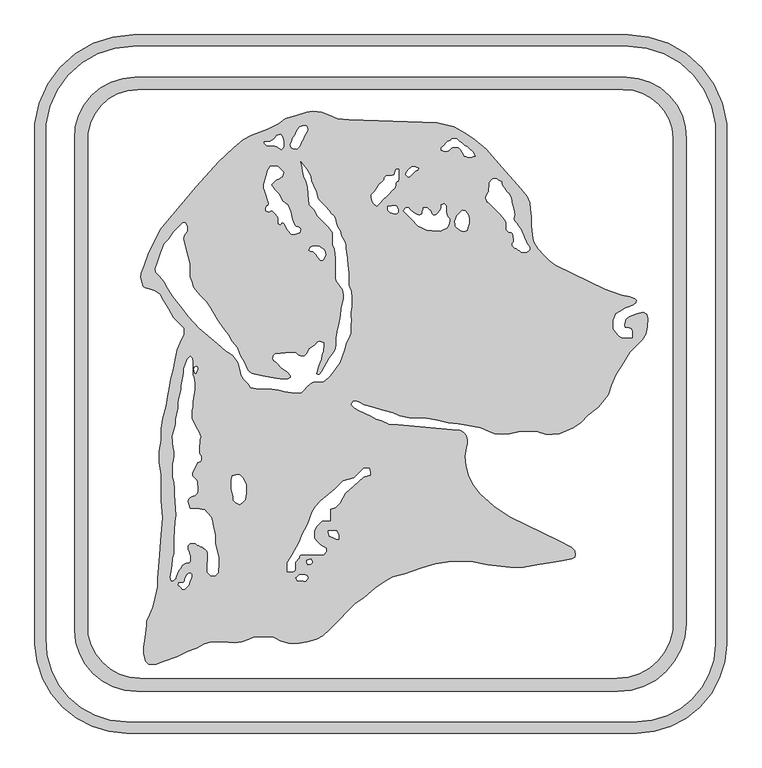
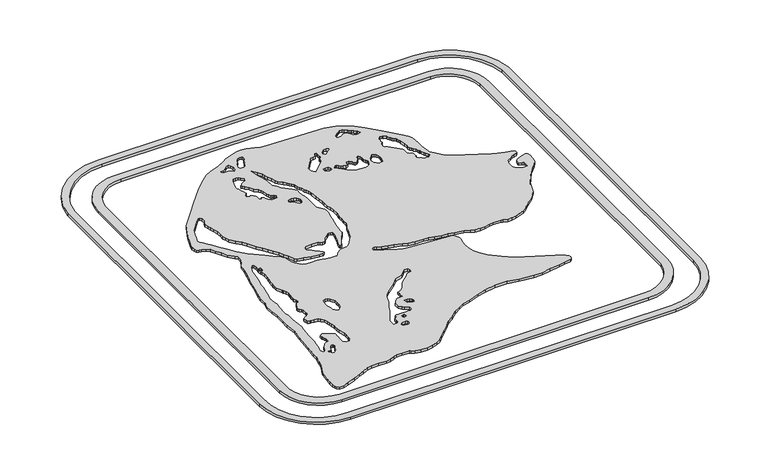
"""IFC4 building model written with IfcOpenShell, lengths in millimetres: proxy geometry."""

from ifc_helpers import new_model, si_unit, point, frame_2d, origin, origin_with_axes, place, context, project, spatial, polyline, circle_curve, trimmed, segment, composite_curve, outline, extrude, source, transform, mapped, element, save


def generic_models_7727bb75(model_context):
    return source(origin(), model_context, "Body", "SweptSolid", [
        extrude(outline(composite_curve([segment(polyline([(-387.0221852, -516.2870504), (-388.6656862, -510.1534214), (-390.5963422, -502.9481152), (-390.5963422, -492.1809), (-388.570592, -475.6824886), (-386.1047062, -455.5994604), (-386.1047062, -449.2494604), (-380.7374542, -437.7393515), (-375.3702023, -426.2292426), (-371.50385, -409.4822309), (-367.2185324, -390.9204812), (-367.2185324, -377.0286593), (-364.6888746, -348.0025917), (-361.5881994, -303.6608696), (-359.1064808, -275.1848718), (-361.5881994, -246.818699), (-361.5881994, -227.768699), (-361.5881994, -202.368699), (-364.8961972, -182.7157831), (-364.8961972, -163.6657831), (-361.5881994, -144.9051954), (-361.5881994, -125.8551954), (-358.6920211, -109.4301525), (-352.9220935, -87.8964894), (-350.0548506, -71.6355467), (-347.8495187, -59.1284882), (-345.0491372, -43.2467355), (-340.8501158, -27.5757741), (-337.7543521, -10.0188261), (-334.8223413, 6.6094334), (-329.4550894, 18.1195423), (-322.6260411, 32.7644838), (-322.6260411, 42.6436383), (-328.2700569, 48.2876542), (-340.5945097, 60.6121069), (-349.0098248, 75.1878603), (-356.7990748, 88.679237), (-363.3654642, 100.0525571), (-371.1420526, 105.4977829), (-381.5495306, 109.2857951), (-387.8030598, 110.388461), (-391.8910832, 113.2509259), (-393.5345842, 119.3845549), (-395.8237588, 127.9278708), (-394.5141352, 135.3551153), (-390.1704794, 147.2892116), (-381.9983233, 169.7420258), (-363.3599002, 207.9564563), (-351.1147963, 222.5496029), (-328.6289441, 249.347198), (-303.0444505, 279.8376102), (-264.8036363, 322.3083369), (-239.784168, 345.6393686), (-223.8861899, 358.9793562), (-209.4935982, 366.312748), (-183.004596, 376.4809232), (-164.1657871, 386.0797758), (-153.0579989, 393.8575328), (-133.3679753, 400.2552093), (-117.1409629, 404.7640051), (-107.5709536, 406.451456), (-92.3904601, 405.1233349), (-73.4454568, 397.8510295), (-65.9527987, 394.3571456), (-46.9752897, 392.6968287), (101.2689628, 387.5200254), (129.0439627, 381.1076614), (148.8485778, 369.6734615), (164.6417436, 359.0208367), (184.0992724, 342.6940314), (210.0611888, 312.8282631), (241.6110499, 276.5342996), (252.4928105, 263.0964444), (256.9311042, 253.5784928), (258.0982864, 242.4734962), (259.4257978, 229.8430682), (259.4257978, 214.5035394), (261.6809886, 193.0468328), (263.3244895, 186.9132038), (270.6089103, 176.5099729), (280.3436717, 164.908536), (289.3239278, 155.9282799), (299.7271587, 148.6438591), (382.6918937, 108.1792542), (394.62599, 103.8355984), (411.440709, 97.7155412), (424.3033779, 95.4475056), (432.8411556, 92.3400086), (435.2006463, 89.9805179), (434.3908653, 85.3880214), (430.8265137, 81.8236699), (423.3153218, 79.0898196), (417.3482737, 76.9179917), (409.6505392, 72.4737026), (400.2854716, 67.0667783), (398.4303112, 61.9697671), (396.2584833, 56.002719), (396.2584833, 50.829182), (396.2584833, 42.1897215), (400.0256305, 35.6648311), (405.1350926, 30.555369), (410.520198, 27.1903817), (414.2839187, 25.8204994), (419.2438797, 25.8204994), (425.5938797, 25.8204994), (429.3185399, 26.8185191), (429.3185399, 29.9897387), (429.3185399, 37.5629264), (428.1446585, 41.9439116), (424.2142475, 43.3744642), (417.1121039, 44.6267637), (415.9795587, 48.85348), (419.1440533, 57.5478574), (423.6341814, 62.0379854), (437.1731903, 66.9657817), (447.6252193, 69.7663944), (453.0103247, 66.4014071), (454.8757895, 59.4393978), (453.6457366, 45.3798288), (451.4404047, 32.8727703), (445.3343272, 23.1010036), (434.9146055, 12.6812819), (424.389588, 2.1562644), (414.294626, -13.9990518), (400.8346767, -35.5394734), (393.6984211, -53.2023259), (388.8213713, -69.154437), (371.6635727, -89.6023051), (354.3670776, -103.6087307), (342.3284598, -115.6473485), (330.2754536, -124.4043701), (305.9657367, -134.2261333), (294.9019415, -135.1940899), (283.5695635, -135.1940899), (272.8642, -131.9211318), (268.3877666, -130.2918433), (247.7542097, -130.2918433), (237.7211671, -131.1696208), (223.4232099, -134.2087454), (210.7715373, -135.3156234), (198.1198646, -134.2087454), (187.7072639, -129.7888586), (174.6002501, -124.2252614), (151.9699741, -120.2349331), (136.6735823, -117.5377666), (119.7933792, -116.0609402), (103.4260726, -111.6753336), (90.0031609, -109.3085121), (77.4961025, -107.1031802), (54.9364475, -107.1031802), (39.1359919, -104.3171336), (27.625883, -98.9498817), (8.2851408, -93.7675454), (-5.2445192, -90.1422839), (-20.7601464, -85.9848841), (-30.0799246, -80.6041077), (-36.2135536, -78.9606068), (-39.8215072, -79.927355), (-42.1131699, -82.2190177), (-43.1058604, -85.9237891), (-37.6631509, -91.3664986), (-30.264795, -95.6379414), (-21.0588951, -99.9307229), (-9.5487863, -105.2979749), (-1.3639049, -110.0235183), (7.3597124, -112.3610045), (18.8698213, -117.7282565), (19.7518288, -117.9645896), (35.3706342, -119.3310581), (135.8204689, -128.1192798)]), True, "CONTINUOUS"), segment(trimmed(circle_curve(frame_2d((134.2721061, -145.8171478)), 17.765471), [point((135.8204689, -128.1192798))], [point((151.9699741, -144.268785))], False, "CARTESIAN"), True, "CONTINUOUS"), segment(polyline([(151.9699741, -144.268785), (151.9699741, -151.424663), (150.3264732, -157.558292), (147.8470875, -171.619587), (149.2610704, -187.7814856), (153.3146589, -204.0395412), (160.4894751, -218.1209109), (172.972362, -234.6862612), (196.5672102, -255.931158), (222.25702, -273.2591535), (305.6754985, -313.945064), (326.3816289, -324.9547088), (332.2477148, -330.8207947), (333.3049919, -337.0821576), (332.366378, -341.4979888), (327.6641026, -344.2128488), (310.3886363, -347.129938), (295.0851738, -349.7140399), (268.3556496, -354.2275161), (246.1171956, -357.9826422), (224.0653531, -357.9826422), (186.1740689, -354.0001078), (158.1523894, -348.0439159), (126.4023894, -348.0439159), (98.6810762, -352.724863), (75.7225737, -358.8765752), (47.1147148, -369.2889843), (27.4311212, -374.5631873), (13.2583327, -381.7845837), (-2.3465137, -392.7112148), (-21.8040426, -409.0380201), (-35.9112623, -418.9160017), (-47.5201997, -430.5249391), (-64.7879174, -447.7926568), (-79.8889632, -462.8937026), (-90.1871346, -473.191874), (-101.2948049, -479.3489562), (-116.2629719, -483.3596645), (-130.876457, -485.6742131), (-147.4696018, -485.6742131), (-161.6010697, -481.8876977), (-169.2063943, -477.4967615), (-172.4905203, -475.9653484), (-191.4941155, -474.6364875), (-205.5981047, -474.6364875), (-214.5095022, -479.1770714), (-226.4435985, -483.5207272), (-237.8171398, -484.9299091), (-257.9693803, -483.5207272), (-277.0193803, -483.5207272), (-289.2866383, -486.8077291), (-303.0552126, -493.8231681), (-317.1611792, -498.9573201), (-335.3620154, -508.2311093), (-356.7826475, -516.0275818), (-369.8320572, -520.7771785), (-382.5320572, -520.7771785), (-387.0221852, -516.2870504)]), True, "CONTINUOUS")], self_intersect=False), holes=[polyline([(-179.6488264, 355.6513622), (-188.3812356, 355.6513622), (-188.3812356, 352.9892428), (-184.6463728, 349.2543801), (-173.4809419, 349.2543801), (-167.5138938, 347.0825521), (-160.4107015, 342.1088433), (-157.4150315, 345.1045133), (-155.5470292, 346.9725156), (-155.5470292, 355.6513622), (-157.6056505, 363.3342415), (-161.2478609, 368.5358569), (-167.3814899, 366.892356), (-171.0237003, 361.6907405), (-179.6488264, 355.6513622)]), polyline([(-143.0665081, 345.3534032), (-139.7181112, 344.1346864), (-134.1979606, 343.288021), (-129.5983622, 347.4537785), (-127.4993523, 351.0893705), (-126.1613584, 354.7654783), (-122.803197, 359.5614298), (-121.3241433, 365.0813335), (-117.0539783, 371.1797611), (-115.4627868, 375.5515238), (-116.5484038, 379.6031016), (-118.3314162, 382.1495072), (-123.6916371, 382.1495072), (-129.1571308, 380.6850326), (-132.2173739, 376.3145525), (-134.9626843, 372.3938429), (-136.8382893, 367.2406606), (-140.4804996, 362.0390452), (-142.373282, 356.8386684), (-144.5451099, 350.8716202), (-143.0665081, 345.3534032)]), polyline([(-4.4901281, 251.8198767), (0.0, 247.3297486), (2.620586, 249.9503346), (6.1688391, 253.4985877), (10.6589671, 257.9887157), (16.0844552, 263.4142038), (20.5745833, 267.9043319), (25.775359, 273.1051076), (30.265487, 277.5952356), (31.6944755, 282.9282934), (31.6944755, 286.5615021), (34.179344, 289.0463705), (36.0966302, 289.0463705), (37.1650284, 293.0336868), (37.1650284, 296.4474859), (37.1650284, 302.7974859), (37.1650284, 309.1474859), (33.2236349, 309.1474859), (31.0407512, 306.9646022), (29.1554044, 299.928392), (22.9018751, 298.8257261), (15.985231, 298.8257261), (12.6315469, 295.472042), (12.6315469, 292.0740169), (9.1851085, 288.6275786), (4.6949805, 284.1374505), (-3.52325, 272.4006009), (-9.0723197, 266.8515313), (-9.0723197, 262.7449421), (-7.7144754, 255.044224), (-4.4901281, 251.8198767)]), polyline([(48.7516625, 300.5094993), (53.247593, 296.0135688), (55.6127412, 297.1164555), (58.6329503, 300.1366646), (61.4561893, 302.9599036), (64.6904683, 306.1941826), (68.9256181, 308.1690654), (70.8756419, 310.953988), (65.1205875, 313.637614), (58.7705875, 313.637614), (54.2804594, 309.1474859), (49.889705, 304.7567315), (48.7516625, 300.5094993)]), polyline([(18.871427, 247.2076504), (18.871427, 240.7565563), (20.5485423, 239.079441), (22.9838576, 236.6441257), (29.1174866, 235.0006248), (33.411554, 235.0006248), (35.9690012, 237.5580719), (35.9690012, 242.565715), (33.2853752, 248.3207694), (25.1842383, 248.3207694), (18.871427, 247.2076504)]), polyline([(49.2458802, 244.5228839), (44.3244049, 239.6014086), (50.3157449, 233.6100687), (56.175311, 227.7505026), (61.055019, 222.8707946), (65.545147, 218.3806665), (70.0352751, 213.8905384), (77.1375241, 210.5787053), (84.0529324, 207.3539975), (93.6726087, 206.5123849), (106.3242813, 205.4055069), (111.8109754, 207.9639944), (117.5660298, 210.6476203), (121.1173608, 215.7194466), (123.025541, 222.8408718), (123.025541, 226.2356208), (120.0594173, 229.2017445), (117.9378183, 233.7515283), (117.1824134, 238.0356425), (117.1824134, 241.9707694), (117.1824134, 248.3207694), (113.8558728, 251.64731), (112.5498839, 251.64731), (108.7236118, 249.86309), (108.7236118, 245.2252504), (106.0495716, 239.4907528), (101.5594436, 235.0006248), (99.5552691, 232.9964503), (95.2815906, 232.2428855), (92.5238513, 235.0006248), (90.4036738, 239.5473599), (87.2082925, 242.7427412), (84.7257833, 245.2252504), (78.3757833, 245.2252504), (78.3757833, 242.30421), (76.8509522, 239.0341992), (76.8509522, 235.0006248), (71.0958978, 232.3169988), (65.3408433, 235.0006248), (61.0770881, 236.9888465), (56.5869601, 241.4789745), (53.5430507, 244.5228839), (49.2458802, 244.5228839)]), polyline([(118.5411052, 339.6818052), (120.9739017, 340.8162368), (125.2297797, 345.0721148), (128.9752794, 346.81867), (132.4485199, 346.81867), (136.6390283, 346.81867), (138.5493106, 344.9083877), (141.4636112, 341.9940871), (143.3192441, 338.0146695), (144.1990609, 337.1348527), (146.8624682, 331.4231574), (149.9107562, 331.4231574), (151.898667, 329.4352466), (154.6772594, 329.4352466), (159.2709344, 329.4352466), (163.5340228, 331.4231574), (165.5138804, 331.4231574), (162.259759, 338.4016433), (160.6384282, 340.0229741), (155.4368127, 343.6651845), (152.1327902, 346.9692069), (151.2558309, 347.8461663), (147.1992626, 349.7377751), (144.0343037, 352.902734), (137.9517305, 357.1617977), (134.6913719, 360.4221563), (128.3413719, 360.4221563), (126.1162191, 360.4221563), (124.1720169, 358.4779541), (119.7177557, 356.400898), (116.0615685, 352.7447107), (113.2137398, 349.8968821), (108.7236118, 345.406754), (108.7236118, 341.298724), (112.1911052, 339.6818052), (118.5411052, 339.6818052)]), polyline([(183.0835723, 260.4776497), (185.8632454, 254.5166215), (186.5000261, 255.1534022), (196.5422216, 245.1112067), (206.7334832, 234.9199451), (215.9670138, 223.9158518), (217.1807443, 219.386148), (217.1807443, 211.8457371), (217.1807443, 208.2147447), (219.370396, 206.0250931), (221.8586978, 203.5367912), (225.4896902, 203.5367912), (228.0389525, 200.9875289), (229.6675605, 191.751234), (229.6675605, 187.8686433), (227.1842496, 185.3853324), (227.1842496, 181.2408543), (231.6743776, 176.7507262), (234.4931039, 176.7507262), (237.7307176, 173.5131125), (240.2148302, 172.3547518), (242.7342288, 169.8353533), (245.8986971, 169.8353533), (252.2486971, 169.8353533), (255.1356178, 172.722274), (257.2514065, 174.8380627), (257.2514065, 178.3054261), (252.7660826, 184.7111325), (251.281721, 187.8943563), (247.7161379, 195.5407738), (247.0792789, 199.152581), (245.1168106, 201.1150492), (243.0836844, 205.4751024), (241.8634547, 210.0290619), (237.3733266, 214.51919), (235.5499653, 218.4294009), (232.3122745, 221.6670917), (229.9927942, 226.6412332), (231.6362952, 232.7748622), (230.0092479, 242.0023059), (226.722246, 254.2695639), (226.722246, 256.5135973), (225.9019887, 261.1655076), (224.1229346, 264.9807016), (222.6791475, 268.076913), (219.5079278, 271.2481326), (216.5526052, 274.2034552), (214.878534, 277.7935126), (211.7430784, 280.9289682), (209.8304008, 285.0307185), (209.8304008, 288.6834316), (202.9861709, 291.8749484), (201.2258983, 293.635221), (194.8758983, 293.635221), (192.0882312, 290.8475538), (189.3320385, 286.9113027), (189.3320385, 280.5613027), (188.4375841, 277.2231536), (188.4375841, 272.1366004), (186.1000653, 269.7990815), (184.4460801, 266.2520989), (183.0835723, 263.3301914), (183.0835723, 260.4776497)]), polyline([(143.3354276, 240.7160734), (139.4061616, 236.7868075), (134.1084548, 231.4891007), (132.8677856, 226.8588602), (130.6703954, 222.1465416), (132.3138963, 216.0129126), (132.3138963, 213.5943723), (134.2550515, 211.6532171), (137.4932046, 208.415064), (141.3318246, 206.6250861), (143.7756504, 205.4855114), (145.4579985, 205.4855114), (148.6619294, 205.4855114), (151.9813749, 207.0333942), (152.8933593, 210.4369665), (153.8624366, 214.0536121), (155.1808113, 218.9738536), (155.1808113, 223.3129064), (155.1808113, 226.1302825), (154.2742707, 231.2715298), (152.1430122, 235.8420284), (148.3915708, 239.5934698), (144.2019569, 240.7160734), (143.3354276, 240.7160734)]), polyline([(-143.4246436, -366.0057369), (-139.6450489, -366.0057369), (-136.850678, -363.2113659), (-136.850678, -360.0676986), (-136.850678, -356.2254386), (-136.850678, -349.8754386), (-134.262288, -347.2870485), (-131.9918616, -345.0166222), (-129.8960834, -342.920844), (-129.8960834, -339.8085094), (-127.0860461, -336.9984721), (-120.7360461, -336.9984721), (-114.3860461, -336.9984721), (-101.6860461, -336.9984721), (-95.3360461, -336.9984721), (-88.9860461, -336.9984721), (-84.495918, -332.508344), (-84.495918, -326.158344), (-94.1968312, -320.5575192), (-98.6869593, -316.0673911), (-105.0250186, -309.7293318), (-105.0250186, -297.0293318), (-100.5797636, -289.3299242), (-91.5995074, -280.3496681), (-84.495918, -280.3496681), (-78.145918, -280.3496681), (-78.145918, -273.9996681), (-78.145918, -266.8960787), (-78.145918, -260.5460787), (-69.4716567, -258.2218173), (-62.0445153, -250.794676), (-52.5195153, -234.296892), (-46.3196071, -228.0969838), (-31.7264605, -215.8518798), (-22.7462044, -206.8716237), (-10.4789464, -203.5846218), (-10.4789464, -198.0230986), (-12.1224473, -191.8894696), (-21.2335806, -191.8894696), (-24.1112898, -194.7671788), (-26.9056607, -197.5615497), (-37.3272807, -207.9831697), (-55.7281676, -212.9136725), (-69.1985518, -226.3840567), (-93.5204629, -246.7925633), (-102.500719, -255.7728194), (-107.8465289, -265.0320338), (-115.4399438, -286.0958328), (-125.0515136, -302.74356), (-129.8960834, -316.1821837), (-141.9143731, -336.9984721), (-149.7746436, -350.61286), (-149.7746436, -366.0057369), (-143.4246436, -366.0057369)]), polyline([(-133.1803049, -381.1927309), (-122.3400603, -382.1411294), (-119.0955005, -381.7089129), (-116.1550072, -378.7684197), (-115.0682212, -375.753723), (-116.6195157, -372.4269611), (-119.9764184, -370.4888524), (-129.8960834, -370.4888524), (-134.1765389, -374.7693079), (-135.5398663, -376.1326353), (-133.1803049, -381.1927309)]), polyline([(-72.4815098, -308.3622681), (-67.5865537, -311.1883724), (-63.1759464, -311.1883724), (-63.1759464, -304.9445595), (-64.3793274, -302.3639005), (-67.0629534, -296.6088461), (-73.4129534, -296.6088461), (-81.1225106, -296.6088461), (-81.1225106, -299.7060686), (-79.4790097, -305.8396976), (-72.4815098, -308.3622681)]), polyline([(-117.2035381, -350.5939187), (-115.4396377, -354.3766153), (-110.3373485, -353.009461), (-108.291007, -350.9631196), (-108.291007, -348.8837761), (-109.4298743, -344.6334654), (-112.5016126, -344.6334654), (-117.2035381, -346.8260093), (-117.2035381, -350.5939187)]), polyline([(-328.9975936, -392.0029402), (-326.155735, -394.8447988), (-323.7122276, -394.8447988), (-321.9839026, -394.8447988), (-318.5579371, -391.4188332), (-315.3199343, -388.1808305), (-313.9234994, -382.9692643), (-310.6878564, -377.3649662), (-309.7949772, -374.0326956), (-309.7949772, -369.7801145), (-311.4803804, -368.0947113), (-315.6062392, -368.0947113), (-318.2525488, -370.7410208), (-321.9839026, -377.2039152), (-321.9839026, -380.779784), (-324.1652589, -384.558004), (-326.2794054, -384.558004), (-328.8465832, -384.558004), (-331.8853055, -384.558004), (-332.8483603, -388.1521735), (-328.9975936, -392.0029402)]), polyline([(-341.1568918, -381.1583871), (-339.4498171, -379.4513124), (-337.348802, -377.3502973), (-336.0461893, -372.4888807), (-334.6361487, -370.0466186), (-333.7119982, -366.5976419), (-331.1953579, -362.2386931), (-329.3531051, -360.3964402), (-326.1781051, -354.8971789), (-320.6788438, -351.7221789), (-314.4253145, -350.619513), (-312.3988515, -348.59305), (-312.3988515, -343.4421867), (-312.3988515, -338.4815184), (-314.4054406, -335.0060042), (-315.2418552, -330.2624608), (-316.8941323, -328.6101838), (-316.8941323, -322.2601838), (-313.6967299, -319.0627814), (-307.4432007, -317.9601155), (-304.8524816, -317.9601155), (-302.4432788, -319.3510694), (-300.7449346, -321.0494136), (-298.4249533, -321.6710507), (-296.3268908, -323.7691132), (-291.8291138, -324.9742889), (-290.520255, -326.2831477), (-287.8330886, -327.8345839), (-285.6664168, -330.0012557), (-284.1930526, -331.4746199), (-283.4125572, -335.9010292), (-283.4125572, -341.3704141), (-283.4125572, -347.7204141), (-284.1911637, -350.6262131), (-284.1911637, -355.8148928), (-284.1911637, -358.7037885), (-284.1911637, -362.3805649), (-284.1911637, -366.3199682), (-281.2901151, -369.2210168), (-278.2699059, -372.241226), (-273.2630901, -372.241226), (-270.6415734, -372.241226), (-267.8122579, -369.4119105), (-265.7112428, -367.3108954), (-265.7112428, -362.5118783), (-264.747594, -357.0467542), (-264.747594, -349.1179072), (-264.747594, -341.8599905), (-269.3629473, -325.7643407), (-270.7390428, -317.9601155), (-270.7390428, -310.4986239), (-270.7390428, -304.1486239), (-272.1409172, -296.1981988), (-273.8912144, -290.0941871), (-274.9938804, -283.8406578), (-277.7159213, -274.347773), (-284.1911637, -266.6308796), (-288.6812917, -262.1407515), (-298.0300688, -260.4923099), (-305.2811602, -260.4923099), (-307.6719641, -260.4923099), (-313.8055931, -258.848809), (-315.2554516, -253.7925513), (-316.8941323, -248.0777928), (-315.9400473, -244.5170994), (-313.9906344, -242.5676865), (-311.1224956, -239.6995477), (-305.0184838, -237.9492505), (-302.8286548, -235.7594215), (-301.243045, -234.1738116), (-300.0487555, -229.7166625), (-300.0487555, -226.234788), (-301.0133184, -215.2097835), (-301.9690442, -211.8767717), (-306.4591722, -207.3866436), (-309.0427856, -204.8030303), (-309.0427856, -200.7140205), (-306.6446135, -195.5711238), (-303.349675, -188.5051055), (-300.666049, -182.750051), (-295.5544106, -181.2843123), (-294.3155431, -178.6275523), (-294.3155431, -174.4382007), (-294.3155431, -172.1730438), (-297.4905431, -166.6737825), (-297.4905431, -162.0553431), (-297.4905431, -155.7053431), (-296.3878771, -149.4518139), (-296.3878771, -144.6891404), (-295.4812721, -139.547528), (-297.4905431, -132.5403676), (-300.6655431, -127.0411063), (-302.1402072, -125.5664422), (-302.755196, -123.4217212), (-309.8624342, -108.1801997), (-309.8624342, -101.8301997), (-309.8624342, -95.4801997), (-308.7597683, -89.2266705), (-308.7597683, -79.6036327), (-307.13347, -70.3804369), (-305.357706, -60.3095791), (-305.357706, -48.4954783), (-306.9329096, -39.5620548), (-308.7597683, -35.6443438), (-308.7597683, -27.8070454), (-308.7597683, -22.9747108), (-308.2408586, -20.0318278), (-308.2408586, -13.6818278), (-309.3435245, -7.4282986), (-312.4378488, -4.3339744), (-317.7896648, -9.6857904), (-319.9614927, -15.6528386), (-323.4686572, -25.2886937), (-323.4686572, -30.5252337), (-324.5713231, -36.7787629), (-326.0999114, -45.4478182), (-327.6219858, -54.0799309), (-327.6219858, -60.4299309), (-330.8964796, -72.6505083), (-332.4586158, -81.5098226), (-332.4586158, -91.6844694), (-335.3298488, -102.400057), (-337.4069689, -110.1519747), (-337.4069689, -118.564331), (-340.4544985, -129.9378663), (-342.7756553, -138.6005415), (-341.1153384, -157.5780505), (-339.3650412, -163.6820623), (-339.3650412, -172.0220334), (-340.4677071, -178.2755626), (-341.7793792, -185.7144245), (-341.7793792, -193.314508), (-341.7793792, -207.3584807), (-339.3650412, -215.7782778), (-338.3791347, -227.0472407), (-338.3791347, -236.2014783), (-335.9186913, -271.3874585), (-337.8358422, -282.2601618), (-339.8161795, -310.580305), (-339.8161795, -335.980305), (-341.7332367, -343.1348599), (-342.619144, -355.8039233), (-344.1814675, -364.6643004), (-346.0034211, -374.9971127), (-344.2367041, -381.1583871), (-341.1568918, -381.1583871)]), polyline([(-300.9115206, -22.0006619), (-303.061099, -21.2182793), (-305.7584378, -22.4760691), (-307.047581, -26.0179609), (-306.4095176, -29.6365981), (-304.8305341, -33.0227392), (-302.9938392, -33.0227392), (-302.3118912, -32.3407912), (-301.4297302, -29.9170738), (-300.4716443, -26.3414485), (-300.4716443, -24.4953246), (-300.9115206, -22.0006619)]), polyline([(-235.9627456, -250.4308683), (-229.2810515, -253.5465935), (-224.9326054, -249.1981473), (-220.4424773, -244.7080193), (-218.6887239, -234.7619892), (-218.6887239, -228.4119892), (-218.6887239, -218.7420727), (-225.0387239, -207.74355), (-229.5288519, -203.253422), (-235.8788519, -203.253422), (-241.9828637, -205.0037192), (-244.0143756, -212.585425), (-244.0143756, -220.4566039), (-244.0143756, -227.3218092), (-240.5137812, -239.5298327), (-240.5137812, -245.8798327), (-235.9627456, -250.4308683)]), polyline([(-370.1796568, 136.5632769), (-364.6362942, 131.0199143), (-355.9938968, 120.3474423), (-350.0875936, 110.1174251), (-342.1438415, 96.3584429), (-328.4091148, 79.3974679), (-315.1906723, 61.8560022), (-297.7393435, 42.4743381), (-266.7127187, 16.4399087), (-252.1195721, 4.1948047), (-241.2335474, -2.3461788), (-235.4422317, -10.0315143), (-232.5885448, -14.9742451), (-230.0441277, -24.4701388), (-227.0257313, -35.7349476), (-222.7724396, -43.1018649), (-215.5771296, -50.2971749), (-210.9840769, -56.856734), (-201.9476107, -58.7774941), (-189.2476107, -58.7774941), (-174.9745544, -59.7755635), (-163.198727, -61.4305481), (-153.8648978, -63.4145147), (-142.5840822, -65.8123261), (-134.640736, -65.8123261), (-126.539355, -65.8123261), (-122.049227, -61.322198), (-117.516236, -55.3067159), (-108.6459633, -48.6224859), (-103.463102, -46.7360787), (-89.6918016, -46.7360787), (-85.9107452, -44.5530848), (-81.4206172, -40.0629567), (-77.930686, -36.5730255), (-68.9340172, -24.6340429), (-61.5253612, -14.8024243), (-58.3278278, -6.0172735), (-54.6147072, 6.1277969), (-50.9015865, 18.2728673), (-45.6412317, 27.3840692), (-43.4945302, 34.4056132), (-43.4945302, 42.3489594), (-43.4945302, 46.9917457), (-42.3788736, 56.0780402), (-43.3143276, 63.6967024), (-43.3143276, 69.079861), (-41.5147947, 79.2855194), (-41.5147947, 94.5996414), (-42.7580102, 104.7248186), (-46.5485434, 115.1392231), (-46.5485434, 127.8392231), (-46.5485434, 135.5962347), (-48.0962841, 148.2015708), (-49.5482622, 160.0269833), (-51.6525599, 177.1651133), (-51.6525599, 182.623571), (-53.5222555, 187.7605174), (-56.9393273, 193.8897743), (-59.7595559, 197.9174782), (-61.4443507, 206.584996), (-64.0066007, 210.2442683), (-67.0550184, 216.7816211), (-68.2666555, 223.0149537), (-69.3463451, 227.0444099), (-72.3685434, 231.3605564), (-76.8586715, 235.8506845), (-79.6278541, 239.8054871), (-86.1540403, 247.583093), (-94.9604901, 255.7952403), (-98.6027005, 260.9968558), (-101.6174974, 272.2482311), (-106.7255315, 282.721253), (-109.6729906, 290.3996464), (-110.552892, 297.5658679), (-117.3801109, 309.390958), (-126.9424793, 322.0806495), (-125.692861, 317.4170106), (-124.3448127, 306.4380381), (-122.1178856, 298.1270329), (-118.2975751, 288.174784), (-115.8693934, 279.1126863), (-114.460434, 267.6376326), (-113.208633, 249.7360454), (-109.2177365, 245.7451489), (-104.7276085, 241.2550208), (-99.9876927, 231.0902385), (-80.9770888, 213.3625636), (-73.334038, 203.2198926), (-73.334038, 193.1180284), (-73.334038, 182.5947337), (-70.5334931, 174.9002997), (-68.7524534, 160.3948956), (-68.7524534, 141.9179816), (-68.7524534, 126.5410843), (-67.7610647, 122.8411713), (-57.1084399, 107.0480055), (-55.045139, 99.3476616), (-55.045139, 92.9976616), (-59.146375, 76.5485025), (-60.6026393, 64.6881809), (-62.9251897, 51.5163435), (-65.6101728, 40.7474642), (-67.3512366, 26.5676377), (-67.9076062, 15.9514728), (-68.8819906, 8.0157486), (-72.3404485, 2.6901904), (-79.2573643, -7.9609258), (-91.9573643, -29.957971), (-95.1304153, -34.168752), (-97.802857, -35.1414412), (-99.7606987, -34.7252891), (-101.1231778, -33.36281), (-100.0262625, -28.2022288), (-97.8544345, -22.2351807), (-95.2621131, -15.112836), (-93.0902852, -9.1457879), (-91.7700459, -2.9345506), (-89.5149909, 4.4414021), (-88.363107, 13.8227435), (-88.7373253, 18.1000781), (-92.5381922, 20.2945096), (-96.6365498, 21.0171607), (-99.9235828, 19.484392), (-104.0052841, 14.6200098), (-112.7466874, 8.4992133), (-117.6537105, 0.0), (-121.6193569, -3.9656464), (-126.7251211, -3.9656464), (-132.6921693, -1.7938185), (-136.0067428, 1.5207549), (-152.5342436, 1.5207549), (-169.9165521, 0.0), (-173.5263479, -3.6097958), (-174.4706199, -8.0522462), (-173.0084273, -11.5219513), (-167.9370919, -15.3434767), (-159.9499489, -23.3306196), (-149.199027, -31.4320204), (-144.0074293, -36.6236181), (-144.0074293, -39.6627064), (-148.087964, -42.0186043), (-157.133944, -42.810025), (-178.5050183, -39.8065163), (-195.7215922, -36.1470206), (-210.4725629, -33.011605), (-216.5759084, -27.89029), (-222.4118224, -14.0419766), (-228.7618224, -3.043454), (-234.1709711, 9.7921679), (-242.7306015, 21.1511811), (-249.0806015, 32.1497038), (-257.9320663, 43.8959942), (-267.5530255, 56.6634383), (-279.4218236, 77.2207997), (-285.8920337, 86.8132806), (-296.404061, 98.4880697), (-308.07883, 111.4542143), (-310.5657055, 120.7353599), (-313.5539538, 128.9455047), (-313.5539538, 138.5273501), (-313.5539538, 151.2273501), (-316.8409557, 163.4946081), (-319.3481013, 172.8514029), (-321.3890307, 180.4682551), (-324.6760326, 192.7355131), (-322.5042046, 198.7025612), (-317.8399337, 205.3638305), (-317.8399337, 214.2138776), (-321.482144, 219.4154931), (-325.2166209, 219.4154931), (-331.1099242, 213.5221898), (-340.0901803, 204.5419336), (-348.8125772, 192.0850599), (-356.7285, 184.1691371), (-362.0273827, 169.6105764), (-367.4795019, 154.6310021), (-371.8231577, 142.6969059), (-370.1796568, 136.5632769)]), polyline([(-178.1362197, 314.6636321), (-182.8551427, 307.6067452), (-186.7479801, 293.0784786), (-189.1214363, 284.2206194), (-189.1214363, 277.8706194), (-187.3340893, 273.2144213), (-185.3316814, 265.7413331), (-183.1598534, 259.7742849), (-181.5293039, 255.2943869), (-180.8187145, 251.6387213), (-182.9042345, 248.6602901), (-184.7691708, 247.9444081), (-186.0310372, 244.4774586), (-186.0310372, 242.1937466), (-186.0310372, 239.9302863), (-182.3494425, 238.5902954), (-179.5024376, 238.5902954), (-176.7550491, 239.9302863), (-175.195644, 239.9302863), (-170.7055159, 235.4401583), (-167.0633056, 230.2385428), (-165.426341, 227.4032371), (-165.426341, 222.979141), (-165.426341, 218.1417942), (-161.5237082, 216.721352), (-160.3461301, 217.8989301), (-160.3461301, 219.4492961), (-156.2740589, 219.4492961), (-154.4076396, 217.5828768), (-152.3335948, 213.3304547), (-149.3243862, 206.8771862), (-143.1261741, 200.678974), (-136.7761741, 200.678974), (-129.2564955, 202.6938658), (-126.9443487, 209.046437), (-129.1261949, 211.2282833), (-131.2283664, 213.3304547), (-135.0333732, 213.3304547), (-137.105156, 215.4022375), (-139.8888128, 221.1095797), (-141.6283397, 225.6412022), (-144.0516139, 238.1078674), (-146.2234419, 244.0749156), (-149.0070986, 249.7822578), (-158.2272928, 256.2383072), (-163.5945447, 267.7484161), (-171.2160161, 275.3698875), (-174.1893441, 280.5198426), (-177.1090061, 283.4395046), (-172.618878, 287.9296326), (-169.4167311, 291.1317795), (-163.7093889, 293.9154363), (-158.2101276, 297.0904363), (-155.5470292, 304.407239), (-161.3132943, 310.173504), (-165.8034223, 314.6636321), (-171.7862197, 314.6636321), (-178.1362197, 314.6636321)]), polyline([(-99.0033853, 161.4849485), (-94.3947802, 156.8763433), (-90.7180781, 156.8763433), (-88.8982904, 158.6961311), (-87.0486455, 161.8998101), (-85.5838928, 165.9241848), (-86.3576691, 169.9049185), (-87.8617155, 174.0372519), (-90.9664763, 177.1420128), (-96.4657376, 180.3170128), (-102.7192668, 181.4196787), (-108.3343753, 180.7302301), (-111.7756824, 178.8116951), (-113.5558687, 173.9206735), (-111.4219326, 171.7867374), (-106.5079412, 170.9202681), (-104.1671363, 168.5794633), (-101.4359472, 165.8482742), (-99.0033853, 161.4849485)])]), origin_with_axes(), (0.0, 0.0, 1.0), 6.35),
        extrude(outline(composite_curve([segment(trimmed(circle_curve(frame_2d((422.0894468, 368.8170488)), 166.0737066), [point((422.0894468, 534.8907554))], [point((587.2533843, 386.1764782))], False, "CARTESIAN"), True, "CONTINUOUS"), segment(polyline([(587.2533843, 386.1764782), (587.2533843, -487.7764782)]), True, "CONTINUOUS"), segment(trimmed(circle_curve(frame_2d((436.4343628, -485.6568398)), 150.8339156), [point((587.2533843, -487.7764782))], [point((436.4343628, -636.4907554))], False, "CARTESIAN"), True, "CONTINUOUS"), segment(polyline([(436.4343628, -636.4907554), (-419.7123691, -636.4907554)]), True, "CONTINUOUS"), segment(trimmed(circle_curve(frame_2d((-419.7123691, -482.7850674)), 153.705688), [point((-419.7123691, -636.4907554))], [point((-573.3369907, -487.7764782))], False, "CARTESIAN"), True, "CONTINUOUS"), segment(polyline([(-573.3369907, -487.7764782), (-573.3369907, 386.1764782)]), True, "CONTINUOUS"), segment(trimmed(circle_curve(frame_2d((-408.1730532, 368.8170488)), 166.0737066), [point((-573.3369907, 386.1764782))], [point((-408.1730532, 534.8907554))], False, "CARTESIAN"), True, "CONTINUOUS"), segment(polyline([(-408.1730532, 534.8907554), (422.0894468, 534.8907554)]), True, "CONTINUOUS")], self_intersect=False), holes=[composite_curve([segment(polyline([(-554.2869907, 385.1476209), (-554.2869907, -478.1132852)]), True, "CONTINUOUS"), segment(trimmed(circle_curve(frame_2d((-419.7123691, -482.7850674)), 134.655688), [point((-554.2869907, -478.1132852))], [point((-419.7123691, -617.4407554))], True, "CARTESIAN"), True, "CONTINUOUS"), segment(polyline([(-419.7123691, -617.4407554), (436.4343628, -617.4407554)]), True, "CONTINUOUS"), segment(trimmed(circle_curve(frame_2d((436.4343628, -485.6568398)), 131.7839156), [point((436.4343628, -617.4407554))], [point((568.2033843, -487.6381019))], True, "CARTESIAN"), True, "CONTINUOUS"), segment(polyline([(568.2033843, -487.6381019), (568.2033843, 385.1476209)]), True, "CONTINUOUS"), segment(trimmed(circle_curve(frame_2d((422.0894468, 368.8170488)), 147.0237066), [point((568.2033843, 385.1476209))], [point((422.0894468, 515.8407554))], True, "CARTESIAN"), True, "CONTINUOUS"), segment(polyline([(422.0894468, 515.8407554), (-408.1730532, 515.8407554)]), True, "CONTINUOUS"), segment(trimmed(circle_curve(frame_2d((-408.1730532, 368.8170488)), 147.0237066), [point((-408.1730532, 515.8407554))], [point((-554.2869907, 385.1476209))], True, "CARTESIAN"), True, "CONTINUOUS")], self_intersect=False)]), origin_with_axes(), (0.0, 0.0, 1.0), 6.35),
        extrude(outline(composite_curve([segment(trimmed(circle_curve(frame_2d((418.8406023, 362.6686893)), 100.7879009), [point((418.8406023, 463.4565902))], [point((519.6086166, 360.6666205))], False, "CARTESIAN"), True, "CONTINUOUS"), segment(polyline([(519.6086166, 360.6666205), (519.6086166, -453.2475301)]), True, "CONTINUOUS"), segment(trimmed(circle_curve(frame_2d((404.8129472, -451.7391804)), 114.8055784), [point((519.6086166, -453.2475301))], [point((404.8129472, -566.5447588))], False, "CARTESIAN"), True, "CONTINUOUS"), segment(polyline([(404.8129472, -566.5447588), (-402.0602539, -566.5447588)]), True, "CONTINUOUS"), segment(trimmed(circle_curve(frame_2d((-402.0602539, -461.6742728)), 104.870486), [point((-402.0602539, -566.5447588))], [point((-506.9093521, -463.7921584))], False, "CARTESIAN"), True, "CONTINUOUS"), segment(polyline([(-506.9093521, -463.7921584), (-506.9093521, 360.7039898)]), True, "CONTINUOUS"), segment(trimmed(circle_curve(frame_2d((-406.1406023, 362.6686893)), 100.7879009), [point((-506.9093521, 360.7039898))], [point((-406.1406023, 463.4565902))], False, "CARTESIAN"), True, "CONTINUOUS"), segment(polyline([(-406.1406023, 463.4565902), (418.8406023, 463.4565902)]), True, "CONTINUOUS")], self_intersect=False), holes=[composite_curve([segment(polyline([(-483.5504235, 370.0098313), (-483.5504235, -471.5104999)]), True, "CONTINUOUS"), segment(trimmed(circle_curve(frame_2d((-396.5330466, -456.4647969)), 88.3085334), [point((-483.5504235, -471.5104999))], [point((-396.5330466, -544.7733302))], True, "CARTESIAN"), True, "CONTINUOUS"), segment(polyline([(-396.5330466, -544.7733302), (402.8483133, -544.7733302)]), True, "CONTINUOUS"), segment(trimmed(circle_curve(frame_2d((402.8483133, -449.7617573)), 95.011573), [point((402.8483133, -544.7733302))], [point((496.8450005, -463.611732))], True, "CARTESIAN"), True, "CONTINUOUS"), segment(polyline([(496.8450005, -463.611732), (496.8450005, 362.424267)]), True, "CONTINUOUS"), segment(trimmed(circle_curve(frame_2d((413.3096125, 359.6926225)), 83.5800391), [point((496.8450005, 362.424267))], [point((413.3096125, 443.2726616))], True, "CARTESIAN"), True, "CONTINUOUS"), segment(polyline([(413.3096125, 443.2726616), (-400.6096125, 443.2726616)]), True, "CONTINUOUS"), segment(trimmed(circle_curve(frame_2d((-400.6096125, 359.6926225)), 83.5800391), [point((-400.6096125, 443.2726616))], [point((-483.5504235, 370.0098313))], True, "CARTESIAN"), True, "CONTINUOUS")], self_intersect=False)]), origin_with_axes(), (0.0, 0.0, 1.0), 6.35),
    ])


if __name__ == "__main__":
    model = new_model("IFC4")
    model_context = context("Model", 3, world=origin())
    ifc_project = project(units=[si_unit("LENGTHUNIT", "METRE", prefix="MILLI")], contexts=[model_context])
    site = spatial("IfcSite", under=ifc_project)
    building = spatial("IfcBuilding", under=site)
    placement = place(None, origin())
    generic_models_shape = generic_models_7727bb75(model_context)
    element("IfcBuildingElementProxy", 1, Name="Generic Models", at=placement, inside=building, context=model_context, shape_type="MappedRepresentation", body=[
        mapped(generic_models_shape, transform((0.0, 0.0, 0.0), x_axis=(1.0, 0.0, 0.0), y_axis=(0.0, 1.0, 0.0), z_axis=(0.0, 0.0, 1.0))),
    ])
    save(model, "model.ifc")
